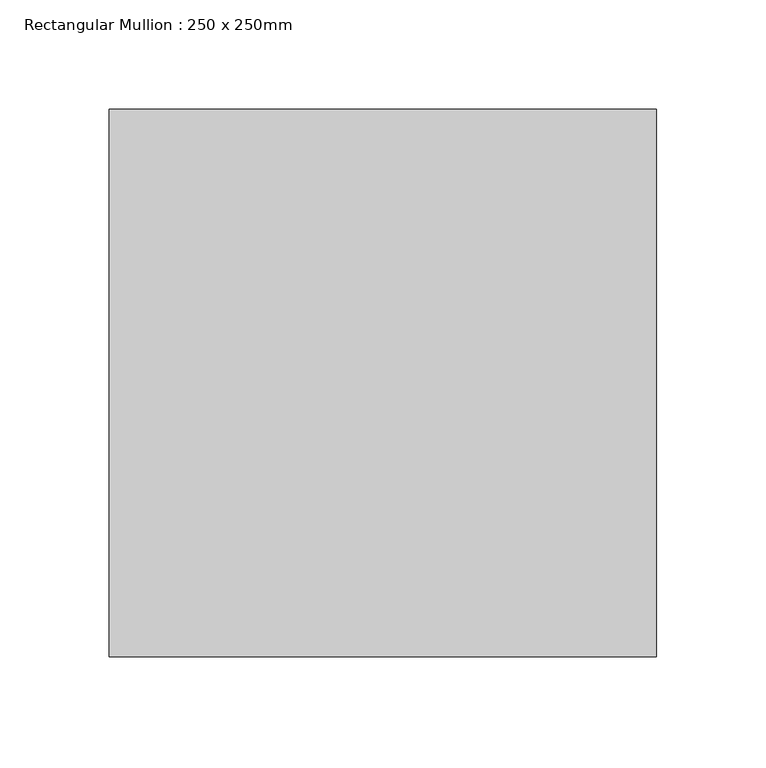
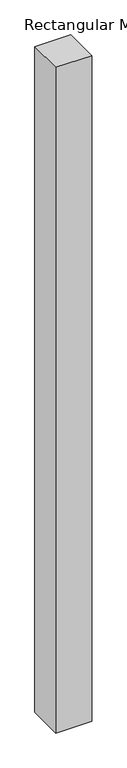
"""IFC4 building model written with IfcOpenShell, lengths in millimetres: member geometry, Rectangular Mullion : 250 x 250mm."""

from ifc_helpers import new_model, si_unit, frame, origin, place, context, project, spatial, polyline, outline, extrude, source, transform, mapped, element, save


def rectangular_mullion_250_x_250mm_a35f0153(model_context):
    return source(origin(), model_context, "Body", "SweptSolid", [
        extrude(outline(polyline([(0.0, 125.0), (0.0, -125.0), (-250.0, -125.0), (-250.0, 125.0), (0.0, 125.0)])), frame((0.0, 0.0, -4894.1714588), z_axis=(0.0, 0.0, 1.0), x_axis=(1.0, 0.0, 0.0)), (0.0, 0.0, 1.0), 4894.1714588),
    ])


if __name__ == "__main__":
    model = new_model("IFC4")
    model_context = context("Model", 3, world=origin())
    ifc_project = project(units=[si_unit("LENGTHUNIT", "METRE", prefix="MILLI")], contexts=[model_context])
    site = spatial("IfcSite", under=ifc_project)
    building = spatial("IfcBuilding", under=site)
    placement = place(None, origin())
    rectangular_mullion_250_x_250mm_shape = rectangular_mullion_250_x_250mm_a35f0153(model_context)
    element("IfcMember", 1, ObjectType="Rectangular Mullion : 250 x 250mm", at=placement, inside=building, context=model_context, shape_type="MappedRepresentation", body=[
        mapped(rectangular_mullion_250_x_250mm_shape, transform((0.0, 0.0, 0.0), x_axis=(1.0, 0.0, 0.0), y_axis=(0.0, 1.0, 0.0), z_axis=(0.0, 0.0, 1.0))),
    ])
    save(model, "model.ifc")
